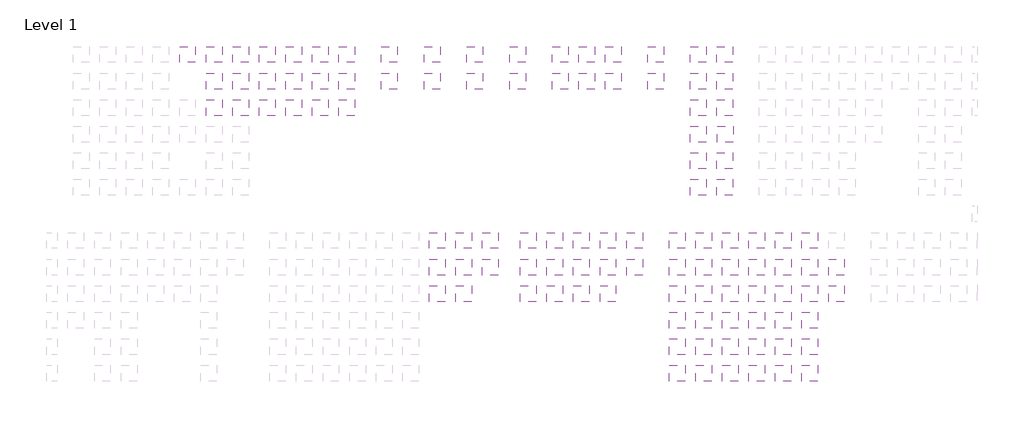
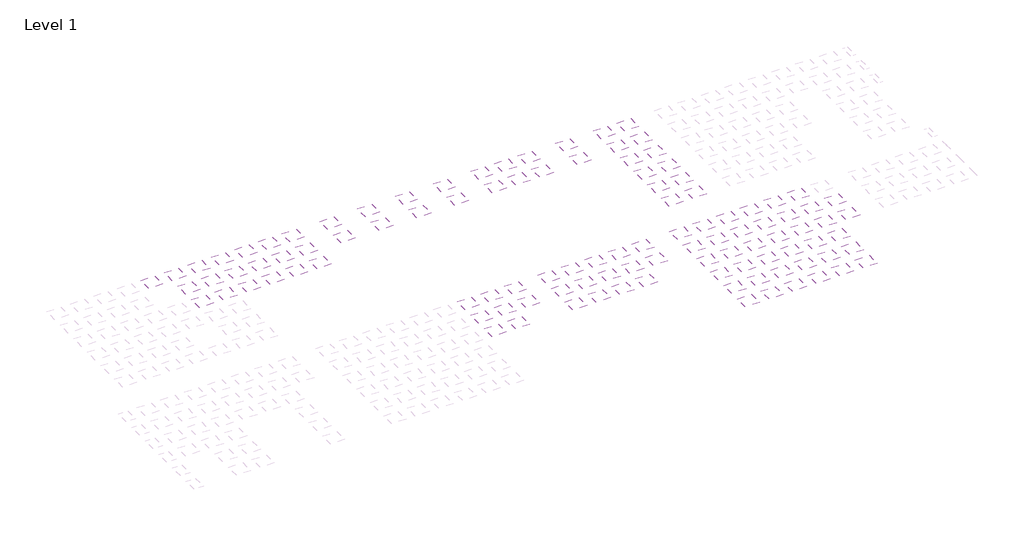
# One storey, part 8 of 90: 107 coverings.
"""IFC4 building model written with IfcOpenShell, lengths in millimetres."""

from ifc_helpers import new_model, si_unit, frame, origin, place, context, project, spatial, polyline, outline, extrude, element, save

model = new_model("IFC4")

# Units and contexts
model_context = context("Model", 3, world=origin())
ifc_project = project(units=[si_unit("LENGTHUNIT", "METRE", prefix="MILLI")], contexts=[model_context])

# Site, building, storey
site = spatial("IfcSite", under=ifc_project)
building = spatial("IfcBuilding", under=site)
storey = spatial("IfcBuildingStorey", under=building, Name="Level 1", Elevation=0.0)

# Coverings
placement = place(None, origin())
element("IfcCovering", 1, at=placement, inside=storey, context=model_context, shape_type="SweptSolid", body=[
    extrude(outline(polyline([(36921.3888175, 62503.2440705), (36921.3888175, 59503.2440705), (33921.3888175, 59503.2440705), (33921.3888175, 62503.2440705), (36921.3888175, 62503.2440705)])), frame((0.0, 0.0, 2600.0), z_axis=(0.0, 0.0, 1.0), x_axis=(1.0, 0.0, 0.0)), (0.0, 0.0, 1.0), 38.0),
])
element("IfcCovering", 2, at=placement, inside=storey, context=model_context, shape_type="SweptSolid", body=[
    extrude(outline(polyline([(36921.3888175, 57503.2440705), (36921.3888175, 54503.2440705), (33921.3888175, 54503.2440705), (33921.3888175, 57503.2440705), (36921.3888175, 57503.2440705)])), frame((0.0, 0.0, 2600.0), z_axis=(0.0, 0.0, 1.0), x_axis=(1.0, 0.0, 0.0)), (0.0, 0.0, 1.0), 38.0),
])
element("IfcCovering", 3, at=placement, inside=storey, context=model_context, shape_type="SweptSolid", body=[
    extrude(outline(polyline([(114041.3888175, 27503.2440705), (114041.3888175, 24503.2440705), (111041.3888175, 24503.2440705), (111041.3888175, 27503.2440705), (114041.3888175, 27503.2440705)])), frame((0.0, 0.0, 2600.0), z_axis=(0.0, 0.0, 1.0), x_axis=(1.0, 0.0, 0.0)), (0.0, 0.0, 1.0), 38.0),
])
element("IfcCovering", 4, at=placement, inside=storey, context=model_context, shape_type="SweptSolid", body=[
    extrude(outline(polyline([(114041.3888175, 17503.2440705), (114041.3888175, 14503.2440705), (111041.3888175, 14503.2440705), (111041.3888175, 17503.2440705), (114041.3888175, 17503.2440705)])), frame((0.0, 0.0, 2600.0), z_axis=(0.0, 0.0, 1.0), x_axis=(1.0, 0.0, 0.0)), (0.0, 0.0, 1.0), 38.0),
])
element("IfcCovering", 5, at=placement, inside=storey, context=model_context, shape_type="SweptSolid", body=[
    extrude(outline(polyline([(114041.3888175, 12503.2440705), (114041.3888175, 9503.2440705), (111041.3888175, 9503.2440705), (111041.3888175, 12503.2440705), (114041.3888175, 12503.2440705)])), frame((0.0, 0.0, 2600.0), z_axis=(0.0, 0.0, 1.0), x_axis=(1.0, 0.0, 0.0)), (0.0, 0.0, 1.0), 38.0),
])
element("IfcCovering", 6, at=placement, inside=storey, context=model_context, shape_type="SweptSolid", body=[
    extrude(outline(polyline([(114041.3888175, 2503.2440705), (114041.3888175, -496.7559295), (111041.3888175, -496.7559295), (111041.3888175, 2503.2440705), (114041.3888175, 2503.2440705)])), frame((0.0, 0.0, 2600.0), z_axis=(0.0, 0.0, 1.0), x_axis=(1.0, 0.0, 0.0)), (0.0, 0.0, 1.0), 38.0),
])
element("IfcCovering", 7, at=placement, inside=storey, context=model_context, shape_type="SweptSolid", body=[
    extrude(outline(polyline([(129041.3888175, 27503.2440705), (129041.3888175, 24503.2440705), (126041.3888175, 24503.2440705), (126041.3888175, 27503.2440705), (129041.3888175, 27503.2440705)])), frame((0.0, 0.0, 2600.0), z_axis=(0.0, 0.0, 1.0), x_axis=(1.0, 0.0, 0.0)), (0.0, 0.0, 1.0), 38.0),
])
element("IfcCovering", 8, at=placement, inside=storey, context=model_context, shape_type="SweptSolid", body=[
    extrude(outline(polyline([(129041.3888175, 17503.2440705), (129041.3888175, 14503.2440705), (126041.3888175, 14503.2440705), (126041.3888175, 17503.2440705), (129041.3888175, 17503.2440705)])), frame((0.0, 0.0, 2600.0), z_axis=(0.0, 0.0, 1.0), x_axis=(1.0, 0.0, 0.0)), (0.0, 0.0, 1.0), 38.0),
])
element("IfcCovering", 9, at=placement, inside=storey, context=model_context, shape_type="SweptSolid", body=[
    extrude(outline(polyline([(129041.3888175, 12503.2440705), (129041.3888175, 9503.2440705), (126041.3888175, 9503.2440705), (126041.3888175, 12503.2440705), (129041.3888175, 12503.2440705)])), frame((0.0, 0.0, 2600.0), z_axis=(0.0, 0.0, 1.0), x_axis=(1.0, 0.0, 0.0)), (0.0, 0.0, 1.0), 38.0),
])
element("IfcCovering", 10, at=placement, inside=storey, context=model_context, shape_type="SweptSolid", body=[
    extrude(outline(polyline([(129041.3888175, 2503.2440705), (129041.3888175, -496.7559295), (126041.3888175, -496.7559295), (126041.3888175, 2503.2440705), (129041.3888175, 2503.2440705)])), frame((0.0, 0.0, 2600.0), z_axis=(0.0, 0.0, 1.0), x_axis=(1.0, 0.0, 0.0)), (0.0, 0.0, 1.0), 38.0),
])
element("IfcCovering", 11, at=placement, inside=storey, context=model_context, shape_type="SweptSolid", body=[
    extrude(outline(polyline([(134041.3888175, 27503.2440705), (134041.3888175, 24503.2440705), (131041.3888175, 24503.2440705), (131041.3888175, 27503.2440705), (134041.3888175, 27503.2440705)])), frame((0.0, 0.0, 2600.0), z_axis=(0.0, 0.0, 1.0), x_axis=(1.0, 0.0, 0.0)), (0.0, 0.0, 1.0), 38.0),
])
element("IfcCovering", 12, at=placement, inside=storey, context=model_context, shape_type="SweptSolid", body=[
    extrude(outline(polyline([(134041.3888175, 17503.2440705), (134041.3888175, 14503.2440705), (131041.3888175, 14503.2440705), (131041.3888175, 17503.2440705), (134041.3888175, 17503.2440705)])), frame((0.0, 0.0, 2600.0), z_axis=(0.0, 0.0, 1.0), x_axis=(1.0, 0.0, 0.0)), (0.0, 0.0, 1.0), 38.0),
])
element("IfcCovering", 13, at=placement, inside=storey, context=model_context, shape_type="SweptSolid", body=[
    extrude(outline(polyline([(134041.3888175, 12503.2440705), (134041.3888175, 9503.2440705), (131041.3888175, 9503.2440705), (131041.3888175, 12503.2440705), (134041.3888175, 12503.2440705)])), frame((0.0, 0.0, 2600.0), z_axis=(0.0, 0.0, 1.0), x_axis=(1.0, 0.0, 0.0)), (0.0, 0.0, 1.0), 38.0),
])
element("IfcCovering", 14, at=placement, inside=storey, context=model_context, shape_type="SweptSolid", body=[
    extrude(outline(polyline([(134041.3888175, 2503.2440705), (134041.3888175, -496.7559295), (131041.3888175, -496.7559295), (131041.3888175, 2503.2440705), (134041.3888175, 2503.2440705)])), frame((0.0, 0.0, 2600.0), z_axis=(0.0, 0.0, 1.0), x_axis=(1.0, 0.0, 0.0)), (0.0, 0.0, 1.0), 38.0),
])
element("IfcCovering", 15, at=placement, inside=storey, context=model_context, shape_type="SweptSolid", body=[
    extrude(outline(polyline([(139041.3888175, 27503.2440705), (139041.3888175, 24503.2440705), (136041.3888175, 24503.2440705), (136041.3888175, 27503.2440705), (139041.3888175, 27503.2440705)])), frame((0.0, 0.0, 2600.0), z_axis=(0.0, 0.0, 1.0), x_axis=(1.0, 0.0, 0.0)), (0.0, 0.0, 1.0), 38.0),
])
element("IfcCovering", 16, at=placement, inside=storey, context=model_context, shape_type="SweptSolid", body=[
    extrude(outline(polyline([(139041.3888175, 17503.2440705), (139041.3888175, 14503.2440705), (136041.3888175, 14503.2440705), (136041.3888175, 17503.2440705), (139041.3888175, 17503.2440705)])), frame((0.0, 0.0, 2600.0), z_axis=(0.0, 0.0, 1.0), x_axis=(1.0, 0.0, 0.0)), (0.0, 0.0, 1.0), 38.0),
])
element("IfcCovering", 17, at=placement, inside=storey, context=model_context, shape_type="SweptSolid", body=[
    extrude(outline(polyline([(139041.3888175, 12503.2440705), (139041.3888175, 9503.2440705), (136041.3888175, 9503.2440705), (136041.3888175, 12503.2440705), (139041.3888175, 12503.2440705)])), frame((0.0, 0.0, 2600.0), z_axis=(0.0, 0.0, 1.0), x_axis=(1.0, 0.0, 0.0)), (0.0, 0.0, 1.0), 38.0),
])
element("IfcCovering", 18, at=placement, inside=storey, context=model_context, shape_type="SweptSolid", body=[
    extrude(outline(polyline([(139041.3888175, 2503.2440705), (139041.3888175, -496.7559295), (136041.3888175, -496.7559295), (136041.3888175, 2503.2440705), (139041.3888175, 2503.2440705)])), frame((0.0, 0.0, 2600.0), z_axis=(0.0, 0.0, 1.0), x_axis=(1.0, 0.0, 0.0)), (0.0, 0.0, 1.0), 38.0),
])
element("IfcCovering", 19, at=placement, inside=storey, context=model_context, shape_type="SweptSolid", body=[
    extrude(outline(polyline([(144041.3888175, 17503.2440705), (144041.3888175, 14503.2440705), (141041.3888175, 14503.2440705), (141041.3888175, 17503.2440705), (144041.3888175, 17503.2440705)])), frame((0.0, 0.0, 2600.0), z_axis=(0.0, 0.0, 1.0), x_axis=(1.0, 0.0, 0.0)), (0.0, 0.0, 1.0), 38.0),
])
element("IfcCovering", 20, at=placement, inside=storey, context=model_context, shape_type="SweptSolid", body=[
    extrude(outline(polyline([(73921.3888175, 27503.2440705), (73921.3888175, 24503.2440705), (70921.3888175, 24503.2440705), (70921.3888175, 27503.2440705), (73921.3888175, 27503.2440705)])), frame((0.0, 0.0, 2600.0), z_axis=(0.0, 0.0, 1.0), x_axis=(1.0, 0.0, 0.0)), (0.0, 0.0, 1.0), 105.0),
])
element("IfcCovering", 21, at=placement, inside=storey, context=model_context, shape_type="SweptSolid", body=[
    extrude(outline(polyline([(73921.3888175, 17503.2440705), (73921.3888175, 14503.2440705), (70921.3888175, 14503.2440705), (70921.3888175, 17503.2440705), (73921.3888175, 17503.2440705)])), frame((0.0, 0.0, 2600.0), z_axis=(0.0, 0.0, 1.0), x_axis=(1.0, 0.0, 0.0)), (0.0, 0.0, 1.0), 105.0),
])
element("IfcCovering", 22, at=placement, inside=storey, context=model_context, shape_type="SweptSolid", body=[
    extrude(outline(polyline([(68921.3888175, 27503.2440705), (68921.3888175, 24503.2440705), (65921.3888175, 24503.2440705), (65921.3888175, 27503.2440705), (68921.3888175, 27503.2440705)])), frame((0.0, 0.0, 2600.0), z_axis=(0.0, 0.0, 1.0), x_axis=(1.0, 0.0, 0.0)), (0.0, 0.0, 1.0), 38.0),
])
element("IfcCovering", 23, at=placement, inside=storey, context=model_context, shape_type="SweptSolid", body=[
    extrude(outline(polyline([(68921.3888175, 17503.2440705), (68921.3888175, 14503.2440705), (65921.3888175, 14503.2440705), (65921.3888175, 17503.2440705), (68921.3888175, 17503.2440705)])), frame((0.0, 0.0, 2600.0), z_axis=(0.0, 0.0, 1.0), x_axis=(1.0, 0.0, 0.0)), (0.0, 0.0, 1.0), 38.0),
])
element("IfcCovering", 24, at=placement, inside=storey, context=model_context, shape_type="SweptSolid", body=[
    extrude(outline(polyline([(36921.3888175, 52503.2440705), (36921.3888175, 49503.2440705), (33921.3888175, 49503.2440705), (33921.3888175, 52503.2440705), (36921.3888175, 52503.2440705)])), frame((0.0, 0.0, 2600.0), z_axis=(0.0, 0.0, 1.0), x_axis=(1.0, 0.0, 0.0)), (0.0, 0.0, 1.0), 38.0),
])
element("IfcCovering", 25, at=placement, inside=storey, context=model_context, shape_type="SweptSolid", body=[
    extrude(outline(polyline([(26921.3888175, 62503.2440705), (26921.3888175, 59503.2440705), (23921.3888175, 59503.2440705), (23921.3888175, 62503.2440705), (26921.3888175, 62503.2440705)])), frame((0.0, 0.0, 2600.0), z_axis=(0.0, 0.0, 1.0), x_axis=(1.0, 0.0, 0.0)), (0.0, 0.0, 1.0), 38.0),
])
element("IfcCovering", 26, at=placement, inside=storey, context=model_context, shape_type="SweptSolid", body=[
    extrude(outline(polyline([(26921.3888175, 57503.2440705), (26921.3888175, 54503.2440705), (23921.3888175, 54503.2440705), (23921.3888175, 57503.2440705), (26921.3888175, 57503.2440705)])), frame((0.0, 0.0, 2600.0), z_axis=(0.0, 0.0, 1.0), x_axis=(1.0, 0.0, 0.0)), (0.0, 0.0, 1.0), 38.0),
])
element("IfcCovering", 27, at=placement, inside=storey, context=model_context, shape_type="SweptSolid", body=[
    extrude(outline(polyline([(26921.3888175, 52503.2440705), (26921.3888175, 49503.2440705), (23921.3888175, 49503.2440705), (23921.3888175, 52503.2440705), (26921.3888175, 52503.2440705)])), frame((0.0, 0.0, 2600.0), z_axis=(0.0, 0.0, 1.0), x_axis=(1.0, 0.0, 0.0)), (0.0, 0.0, 1.0), 38.0),
])
element("IfcCovering", 28, at=placement, inside=storey, context=model_context, shape_type="SweptSolid", body=[
    extrude(outline(polyline([(31921.3888175, 62503.2440705), (31921.3888175, 59503.2440705), (28921.3888175, 59503.2440705), (28921.3888175, 62503.2440705), (31921.3888175, 62503.2440705)])), frame((0.0, 0.0, 2600.0), z_axis=(0.0, 0.0, 1.0), x_axis=(1.0, 0.0, 0.0)), (0.0, 0.0, 1.0), 38.0),
])
element("IfcCovering", 29, at=placement, inside=storey, context=model_context, shape_type="SweptSolid", body=[
    extrude(outline(polyline([(31921.3888175, 57503.2440705), (31921.3888175, 54503.2440705), (28921.3888175, 54503.2440705), (28921.3888175, 57503.2440705), (31921.3888175, 57503.2440705)])), frame((0.0, 0.0, 2600.0), z_axis=(0.0, 0.0, 1.0), x_axis=(1.0, 0.0, 0.0)), (0.0, 0.0, 1.0), 38.0),
])
element("IfcCovering", 30, at=placement, inside=storey, context=model_context, shape_type="SweptSolid", body=[
    extrude(outline(polyline([(31921.3888175, 52503.2440705), (31921.3888175, 49503.2440705), (28921.3888175, 49503.2440705), (28921.3888175, 52503.2440705), (31921.3888175, 52503.2440705)])), frame((0.0, 0.0, 2600.0), z_axis=(0.0, 0.0, 1.0), x_axis=(1.0, 0.0, 0.0)), (0.0, 0.0, 1.0), 38.0),
])
element("IfcCovering", 31, at=placement, inside=storey, context=model_context, shape_type="SweptSolid", body=[
    extrude(outline(polyline([(73921.3888175, 22503.2440705), (73921.3888175, 19503.2440705), (70921.3888175, 19503.2440705), (70921.3888175, 22503.2440705), (73921.3888175, 22503.2440705)])), frame((0.0, 0.0, 2600.0), z_axis=(0.0, 0.0, 1.0), x_axis=(1.0, 0.0, 0.0)), (0.0, 0.0, 1.0), 105.0),
])
element("IfcCovering", 32, at=placement, inside=storey, context=model_context, shape_type="SweptSolid", body=[
    extrude(outline(polyline([(114041.3888175, 22503.2440705), (114041.3888175, 19503.2440705), (111041.3888175, 19503.2440705), (111041.3888175, 22503.2440705), (114041.3888175, 22503.2440705)])), frame((0.0, 0.0, 2600.0), z_axis=(0.0, 0.0, 1.0), x_axis=(1.0, 0.0, 0.0)), (0.0, 0.0, 1.0), 38.0),
])
element("IfcCovering", 33, at=placement, inside=storey, context=model_context, shape_type="SweptSolid", body=[
    extrude(outline(polyline([(129041.3888175, 22503.2440705), (129041.3888175, 19503.2440705), (126041.3888175, 19503.2440705), (126041.3888175, 22503.2440705), (129041.3888175, 22503.2440705)])), frame((0.0, 0.0, 2600.0), z_axis=(0.0, 0.0, 1.0), x_axis=(1.0, 0.0, 0.0)), (0.0, 0.0, 1.0), 38.0),
])
element("IfcCovering", 34, at=placement, inside=storey, context=model_context, shape_type="SweptSolid", body=[
    extrude(outline(polyline([(134041.3888175, 22503.2440705), (134041.3888175, 19503.2440705), (131041.3888175, 19503.2440705), (131041.3888175, 22503.2440705), (134041.3888175, 22503.2440705)])), frame((0.0, 0.0, 2600.0), z_axis=(0.0, 0.0, 1.0), x_axis=(1.0, 0.0, 0.0)), (0.0, 0.0, 1.0), 38.0),
])
element("IfcCovering", 35, at=placement, inside=storey, context=model_context, shape_type="SweptSolid", body=[
    extrude(outline(polyline([(139041.3888175, 22503.2440705), (139041.3888175, 19503.2440705), (136041.3888175, 19503.2440705), (136041.3888175, 22503.2440705), (139041.3888175, 22503.2440705)])), frame((0.0, 0.0, 2600.0), z_axis=(0.0, 0.0, 1.0), x_axis=(1.0, 0.0, 0.0)), (0.0, 0.0, 1.0), 38.0),
])
element("IfcCovering", 36, at=placement, inside=storey, context=model_context, shape_type="SweptSolid", body=[
    extrude(outline(polyline([(144041.3888175, 22503.2440705), (144041.3888175, 19503.2440705), (141041.3888175, 19503.2440705), (141041.3888175, 22503.2440705), (144041.3888175, 22503.2440705)])), frame((0.0, 0.0, 2600.0), z_axis=(0.0, 0.0, 1.0), x_axis=(1.0, 0.0, 0.0)), (0.0, 0.0, 1.0), 38.0),
])
element("IfcCovering", 37, at=placement, inside=storey, context=model_context, shape_type="SweptSolid", body=[
    extrude(outline(polyline([(114041.3888175, 7503.2440705), (114041.3888175, 4503.2440705), (111041.3888175, 4503.2440705), (111041.3888175, 7503.2440705), (114041.3888175, 7503.2440705)])), frame((0.0, 0.0, 2600.0), z_axis=(0.0, 0.0, 1.0), x_axis=(1.0, 0.0, 0.0)), (0.0, 0.0, 1.0), 38.0),
])
element("IfcCovering", 38, at=placement, inside=storey, context=model_context, shape_type="SweptSolid", body=[
    extrude(outline(polyline([(129041.3888175, 7503.2440705), (129041.3888175, 4503.2440705), (126041.3888175, 4503.2440705), (126041.3888175, 7503.2440705), (129041.3888175, 7503.2440705)])), frame((0.0, 0.0, 2600.0), z_axis=(0.0, 0.0, 1.0), x_axis=(1.0, 0.0, 0.0)), (0.0, 0.0, 1.0), 38.0),
])
element("IfcCovering", 39, at=placement, inside=storey, context=model_context, shape_type="SweptSolid", body=[
    extrude(outline(polyline([(134041.3888175, 7503.2440705), (134041.3888175, 4503.2440705), (131041.3888175, 4503.2440705), (131041.3888175, 7503.2440705), (134041.3888175, 7503.2440705)])), frame((0.0, 0.0, 2600.0), z_axis=(0.0, 0.0, 1.0), x_axis=(1.0, 0.0, 0.0)), (0.0, 0.0, 1.0), 38.0),
])
element("IfcCovering", 40, at=placement, inside=storey, context=model_context, shape_type="SweptSolid", body=[
    extrude(outline(polyline([(139041.3888175, 7503.2440705), (139041.3888175, 4503.2440705), (136041.3888175, 4503.2440705), (136041.3888175, 7503.2440705), (139041.3888175, 7503.2440705)])), frame((0.0, 0.0, 2600.0), z_axis=(0.0, 0.0, 1.0), x_axis=(1.0, 0.0, 0.0)), (0.0, 0.0, 1.0), 38.0),
])
element("IfcCovering", 41, at=placement, inside=storey, context=model_context, shape_type="SweptSolid", body=[
    extrude(outline(polyline([(68921.3888175, 22503.2440705), (68921.3888175, 19503.2440705), (65921.3888175, 19503.2440705), (65921.3888175, 22503.2440705), (68921.3888175, 22503.2440705)])), frame((0.0, 0.0, 2600.0), z_axis=(0.0, 0.0, 1.0), x_axis=(1.0, 0.0, 0.0)), (0.0, 0.0, 1.0), 38.0),
])
element("IfcCovering", 42, at=placement, inside=storey, context=model_context, shape_type="SweptSolid", body=[
    extrude(outline(polyline([(124041.3888175, 27503.2440705), (124041.3888175, 24503.2440705), (121041.3888175, 24503.2440705), (121041.3888175, 27503.2440705), (124041.3888175, 27503.2440705)])), frame((0.0, 0.0, 2600.0), z_axis=(0.0, 0.0, 1.0), x_axis=(1.0, 0.0, 0.0)), (0.0, 0.0, 1.0), 38.0),
])
element("IfcCovering", 43, at=placement, inside=storey, context=model_context, shape_type="SweptSolid", body=[
    extrude(outline(polyline([(124041.3888175, 17503.2440705), (124041.3888175, 14503.2440705), (121041.3888175, 14503.2440705), (121041.3888175, 17503.2440705), (124041.3888175, 17503.2440705)])), frame((0.0, 0.0, 2600.0), z_axis=(0.0, 0.0, 1.0), x_axis=(1.0, 0.0, 0.0)), (0.0, 0.0, 1.0), 38.0),
])
element("IfcCovering", 44, at=placement, inside=storey, context=model_context, shape_type="SweptSolid", body=[
    extrude(outline(polyline([(124041.3888175, 12503.2440705), (124041.3888175, 9503.2440705), (121041.3888175, 9503.2440705), (121041.3888175, 12503.2440705), (124041.3888175, 12503.2440705)])), frame((0.0, 0.0, 2600.0), z_axis=(0.0, 0.0, 1.0), x_axis=(1.0, 0.0, 0.0)), (0.0, 0.0, 1.0), 38.0),
])
element("IfcCovering", 45, at=placement, inside=storey, context=model_context, shape_type="SweptSolid", body=[
    extrude(outline(polyline([(124041.3888175, 2503.2440705), (124041.3888175, -496.7559295), (121041.3888175, -496.7559295), (121041.3888175, 2503.2440705), (124041.3888175, 2503.2440705)])), frame((0.0, 0.0, 2600.0), z_axis=(0.0, 0.0, 1.0), x_axis=(1.0, 0.0, 0.0)), (0.0, 0.0, 1.0), 38.0),
])
element("IfcCovering", 46, at=placement, inside=storey, context=model_context, shape_type="SweptSolid", body=[
    extrude(outline(polyline([(124041.3888175, 22503.2440705), (124041.3888175, 19503.2440705), (121041.3888175, 19503.2440705), (121041.3888175, 22503.2440705), (124041.3888175, 22503.2440705)])), frame((0.0, 0.0, 2600.0), z_axis=(0.0, 0.0, 1.0), x_axis=(1.0, 0.0, 0.0)), (0.0, 0.0, 1.0), 38.0),
])
element("IfcCovering", 47, at=placement, inside=storey, context=model_context, shape_type="SweptSolid", body=[
    extrude(outline(polyline([(124041.3888175, 7503.2440705), (124041.3888175, 4503.2440705), (121041.3888175, 4503.2440705), (121041.3888175, 7503.2440705), (124041.3888175, 7503.2440705)])), frame((0.0, 0.0, 2600.0), z_axis=(0.0, 0.0, 1.0), x_axis=(1.0, 0.0, 0.0)), (0.0, 0.0, 1.0), 38.0),
])
element("IfcCovering", 48, at=placement, inside=storey, context=model_context, shape_type="SweptSolid", body=[
    extrude(outline(polyline([(119041.3888175, 27503.2440705), (119041.3888175, 24503.2440705), (116041.3888175, 24503.2440705), (116041.3888175, 27503.2440705), (119041.3888175, 27503.2440705)])), frame((0.0, 0.0, 2600.0), z_axis=(0.0, 0.0, 1.0), x_axis=(1.0, 0.0, 0.0)), (0.0, 0.0, 1.0), 38.0),
])
element("IfcCovering", 49, at=placement, inside=storey, context=model_context, shape_type="SweptSolid", body=[
    extrude(outline(polyline([(119041.3888175, 17503.2440705), (119041.3888175, 14503.2440705), (116041.3888175, 14503.2440705), (116041.3888175, 17503.2440705), (119041.3888175, 17503.2440705)])), frame((0.0, 0.0, 2600.0), z_axis=(0.0, 0.0, 1.0), x_axis=(1.0, 0.0, 0.0)), (0.0, 0.0, 1.0), 38.0),
])
element("IfcCovering", 50, at=placement, inside=storey, context=model_context, shape_type="SweptSolid", body=[
    extrude(outline(polyline([(119041.3888175, 12503.2440705), (119041.3888175, 9503.2440705), (116041.3888175, 9503.2440705), (116041.3888175, 12503.2440705), (119041.3888175, 12503.2440705)])), frame((0.0, 0.0, 2600.0), z_axis=(0.0, 0.0, 1.0), x_axis=(1.0, 0.0, 0.0)), (0.0, 0.0, 1.0), 38.0),
])
element("IfcCovering", 51, at=placement, inside=storey, context=model_context, shape_type="SweptSolid", body=[
    extrude(outline(polyline([(119041.3888175, 2503.2440705), (119041.3888175, -496.7559295), (116041.3888175, -496.7559295), (116041.3888175, 2503.2440705), (119041.3888175, 2503.2440705)])), frame((0.0, 0.0, 2600.0), z_axis=(0.0, 0.0, 1.0), x_axis=(1.0, 0.0, 0.0)), (0.0, 0.0, 1.0), 38.0),
])
element("IfcCovering", 52, at=placement, inside=storey, context=model_context, shape_type="SweptSolid", body=[
    extrude(outline(polyline([(119041.3888175, 22503.2440705), (119041.3888175, 19503.2440705), (116041.3888175, 19503.2440705), (116041.3888175, 22503.2440705), (119041.3888175, 22503.2440705)])), frame((0.0, 0.0, 2600.0), z_axis=(0.0, 0.0, 1.0), x_axis=(1.0, 0.0, 0.0)), (0.0, 0.0, 1.0), 38.0),
])
element("IfcCovering", 53, at=placement, inside=storey, context=model_context, shape_type="SweptSolid", body=[
    extrude(outline(polyline([(119041.3888175, 7503.2440705), (119041.3888175, 4503.2440705), (116041.3888175, 4503.2440705), (116041.3888175, 7503.2440705), (119041.3888175, 7503.2440705)])), frame((0.0, 0.0, 2600.0), z_axis=(0.0, 0.0, 1.0), x_axis=(1.0, 0.0, 0.0)), (0.0, 0.0, 1.0), 38.0),
])
element("IfcCovering", 54, at=placement, inside=storey, context=model_context, shape_type="SweptSolid", body=[
    extrude(outline(polyline([(21921.3888175, 62503.2440705), (21921.3888175, 59503.2440705), (18921.3888175, 59503.2440705), (18921.3888175, 62503.2440705), (21921.3888175, 62503.2440705)])), frame((0.0, 0.0, 2600.0), z_axis=(0.0, 0.0, 1.0), x_axis=(1.0, 0.0, 0.0)), (0.0, 0.0, 1.0), 38.0),
])
element("IfcCovering", 55, at=placement, inside=storey, context=model_context, shape_type="SweptSolid", body=[
    extrude(outline(polyline([(78921.3888175, 27503.2440705), (78921.3888175, 24503.2440705), (75921.3888175, 24503.2440705), (75921.3888175, 27503.2440705), (78921.3888175, 27503.2440705)])), frame((0.0, 0.0, 2600.0), z_axis=(0.0, 0.0, 1.0), x_axis=(1.0, 0.0, 0.0)), (0.0, 0.0, 1.0), 105.0),
])
element("IfcCovering", 56, at=placement, inside=storey, context=model_context, shape_type="SweptSolid", body=[
    extrude(outline(polyline([(78921.3888175, 22503.2440705), (78921.3888175, 19503.2440705), (75921.3888175, 19503.2440705), (75921.3888175, 22503.2440705), (78921.3888175, 22503.2440705)])), frame((0.0, 0.0, 2600.0), z_axis=(0.0, 0.0, 1.0), x_axis=(1.0, 0.0, 0.0)), (0.0, 0.0, 1.0), 105.0),
])
element("IfcCovering", 57, at=placement, inside=storey, context=model_context, shape_type="SweptSolid", body=[
    extrude(outline(polyline([(118041.3888175, 62503.2440705), (118041.3888175, 59503.2440705), (115041.3888175, 59503.2440705), (115041.3888175, 62503.2440705), (118041.3888175, 62503.2440705)])), frame((0.0, 0.0, 2600.0), z_axis=(0.0, 0.0, 1.0), x_axis=(1.0, 0.0, 0.0)), (0.0, 0.0, 1.0), 38.0),
])
element("IfcCovering", 58, at=placement, inside=storey, context=model_context, shape_type="SweptSolid", body=[
    extrude(outline(polyline([(118041.3888175, 52503.2440705), (118041.3888175, 49503.2440705), (115041.3888175, 49503.2440705), (115041.3888175, 52503.2440705), (118041.3888175, 52503.2440705)])), frame((0.0, 0.0, 2600.0), z_axis=(0.0, 0.0, 1.0), x_axis=(1.0, 0.0, 0.0)), (0.0, 0.0, 1.0), 38.0),
])
element("IfcCovering", 59, at=placement, inside=storey, context=model_context, shape_type="SweptSolid", body=[
    extrude(outline(polyline([(118041.3888175, 57503.2440705), (118041.3888175, 54503.2440705), (115041.3888175, 54503.2440705), (115041.3888175, 57503.2440705), (118041.3888175, 57503.2440705)])), frame((0.0, 0.0, 2600.0), z_axis=(0.0, 0.0, 1.0), x_axis=(1.0, 0.0, 0.0)), (0.0, 0.0, 1.0), 38.0),
])
element("IfcCovering", 60, at=placement, inside=storey, context=model_context, shape_type="SweptSolid", body=[
    extrude(outline(polyline([(118041.3888175, 47503.2440705), (118041.3888175, 44503.2440705), (115041.3888175, 44503.2440705), (115041.3888175, 47503.2440705), (118041.3888175, 47503.2440705)])), frame((0.0, 0.0, 2600.0), z_axis=(0.0, 0.0, 1.0), x_axis=(1.0, 0.0, 0.0)), (0.0, 0.0, 1.0), 38.0),
])
element("IfcCovering", 61, at=placement, inside=storey, context=model_context, shape_type="SweptSolid", body=[
    extrude(outline(polyline([(118041.3888175, 37503.2440705), (118041.3888175, 34503.2440705), (115041.3888175, 34503.2440705), (115041.3888175, 37503.2440705), (118041.3888175, 37503.2440705)])), frame((0.0, 0.0, 2600.0), z_axis=(0.0, 0.0, 1.0), x_axis=(1.0, 0.0, 0.0)), (0.0, 0.0, 1.0), 38.0),
])
element("IfcCovering", 62, at=placement, inside=storey, context=model_context, shape_type="SweptSolid", body=[
    extrude(outline(polyline([(123041.3888175, 62503.2440705), (123041.3888175, 59503.2440705), (120041.3888175, 59503.2440705), (120041.3888175, 62503.2440705), (123041.3888175, 62503.2440705)])), frame((0.0, 0.0, 2600.0), z_axis=(0.0, 0.0, 1.0), x_axis=(1.0, 0.0, 0.0)), (0.0, 0.0, 1.0), 38.0),
])
element("IfcCovering", 63, at=placement, inside=storey, context=model_context, shape_type="SweptSolid", body=[
    extrude(outline(polyline([(123041.3888175, 52503.2440705), (123041.3888175, 49503.2440705), (120041.3888175, 49503.2440705), (120041.3888175, 52503.2440705), (123041.3888175, 52503.2440705)])), frame((0.0, 0.0, 2600.0), z_axis=(0.0, 0.0, 1.0), x_axis=(1.0, 0.0, 0.0)), (0.0, 0.0, 1.0), 38.0),
])
element("IfcCovering", 64, at=placement, inside=storey, context=model_context, shape_type="SweptSolid", body=[
    extrude(outline(polyline([(123041.3888175, 57503.2440705), (123041.3888175, 54503.2440705), (120041.3888175, 54503.2440705), (120041.3888175, 57503.2440705), (123041.3888175, 57503.2440705)])), frame((0.0, 0.0, 2600.0), z_axis=(0.0, 0.0, 1.0), x_axis=(1.0, 0.0, 0.0)), (0.0, 0.0, 1.0), 38.0),
])
element("IfcCovering", 65, at=placement, inside=storey, context=model_context, shape_type="SweptSolid", body=[
    extrude(outline(polyline([(123041.3888175, 37503.2440705), (123041.3888175, 34503.2440705), (120041.3888175, 34503.2440705), (120041.3888175, 37503.2440705), (123041.3888175, 37503.2440705)])), frame((0.0, 0.0, 2600.0), z_axis=(0.0, 0.0, 1.0), x_axis=(1.0, 0.0, 0.0)), (0.0, 0.0, 1.0), 38.0),
])
element("IfcCovering", 66, at=placement, inside=storey, context=model_context, shape_type="SweptSolid", body=[
    extrude(outline(polyline([(123041.3888175, 42503.2440705), (123041.3888175, 39503.2440705), (120041.3888175, 39503.2440705), (120041.3888175, 42503.2440705), (123041.3888175, 42503.2440705)])), frame((0.0, 0.0, 2600.0), z_axis=(0.0, 0.0, 1.0), x_axis=(1.0, 0.0, 0.0)), (0.0, 0.0, 1.0), 38.0),
])
element("IfcCovering", 67, at=placement, inside=storey, context=model_context, shape_type="SweptSolid", body=[
    extrude(outline(polyline([(123141.3888175, 47503.2440705), (123141.3888175, 44503.2440705), (120141.3888175, 44503.2440705), (120141.3888175, 47503.2440705), (123141.3888175, 47503.2440705)])), frame((0.0, 0.0, 2600.0), z_axis=(0.0, 0.0, 1.0), x_axis=(1.0, 0.0, 0.0)), (0.0, 0.0, 1.0), 38.0),
])
element("IfcCovering", 68, at=placement, inside=storey, context=model_context, shape_type="SweptSolid", body=[
    extrude(outline(polyline([(92041.3888175, 62503.2440705), (92041.3888175, 59503.2440705), (89041.3888175, 59503.2440705), (89041.3888175, 62503.2440705), (92041.3888175, 62503.2440705)])), frame((0.0, 0.0, 2600.0), z_axis=(0.0, 0.0, 1.0), x_axis=(1.0, 0.0, 0.0)), (0.0, 0.0, 1.0), 38.0),
])
element("IfcCovering", 69, at=placement, inside=storey, context=model_context, shape_type="SweptSolid", body=[
    extrude(outline(polyline([(92041.3888175, 57503.2440705), (92041.3888175, 54503.2440705), (89041.3888175, 54503.2440705), (89041.3888175, 57503.2440705), (92041.3888175, 57503.2440705)])), frame((0.0, 0.0, 2600.0), z_axis=(0.0, 0.0, 1.0), x_axis=(1.0, 0.0, 0.0)), (0.0, 0.0, 1.0), 38.0),
])
element("IfcCovering", 70, at=placement, inside=storey, context=model_context, shape_type="SweptSolid", body=[
    extrude(outline(polyline([(97041.3888175, 62503.2440705), (97041.3888175, 59503.2440705), (94041.3888175, 59503.2440705), (94041.3888175, 62503.2440705), (97041.3888175, 62503.2440705)])), frame((0.0, 0.0, 2600.0), z_axis=(0.0, 0.0, 1.0), x_axis=(1.0, 0.0, 0.0)), (0.0, 0.0, 1.0), 38.0),
])
element("IfcCovering", 71, at=placement, inside=storey, context=model_context, shape_type="SweptSolid", body=[
    extrude(outline(polyline([(97041.3888175, 57503.2440705), (97041.3888175, 54503.2440705), (94041.3888175, 54503.2440705), (94041.3888175, 57503.2440705), (97041.3888175, 57503.2440705)])), frame((0.0, 0.0, 2600.0), z_axis=(0.0, 0.0, 1.0), x_axis=(1.0, 0.0, 0.0)), (0.0, 0.0, 1.0), 38.0),
])
element("IfcCovering", 72, at=placement, inside=storey, context=model_context, shape_type="SweptSolid", body=[
    extrude(outline(polyline([(102041.3888175, 62503.2440705), (102041.3888175, 59503.2440705), (99041.3888175, 59503.2440705), (99041.3888175, 62503.2440705), (102041.3888175, 62503.2440705)])), frame((0.0, 0.0, 2600.0), z_axis=(0.0, 0.0, 1.0), x_axis=(1.0, 0.0, 0.0)), (0.0, 0.0, 1.0), 38.0),
])
element("IfcCovering", 73, at=placement, inside=storey, context=model_context, shape_type="SweptSolid", body=[
    extrude(outline(polyline([(102041.3888175, 57503.2440705), (102041.3888175, 54503.2440705), (99041.3888175, 54503.2440705), (99041.3888175, 57503.2440705), (102041.3888175, 57503.2440705)])), frame((0.0, 0.0, 2600.0), z_axis=(0.0, 0.0, 1.0), x_axis=(1.0, 0.0, 0.0)), (0.0, 0.0, 1.0), 38.0),
])
element("IfcCovering", 74, at=placement, inside=storey, context=model_context, shape_type="SweptSolid", body=[
    extrude(outline(polyline([(110041.3888175, 62503.2440705), (110041.3888175, 59503.2440705), (107041.3888175, 59503.2440705), (107041.3888175, 62503.2440705), (110041.3888175, 62503.2440705)])), frame((0.0, 0.0, 2600.0), z_axis=(0.0, 0.0, 1.0), x_axis=(1.0, 0.0, 0.0)), (0.0, 0.0, 1.0), 38.0),
])
element("IfcCovering", 75, at=placement, inside=storey, context=model_context, shape_type="SweptSolid", body=[
    extrude(outline(polyline([(110041.3888175, 57503.2440705), (110041.3888175, 54503.2440705), (107041.3888175, 54503.2440705), (107041.3888175, 57503.2440705), (110041.3888175, 57503.2440705)])), frame((0.0, 0.0, 2600.0), z_axis=(0.0, 0.0, 1.0), x_axis=(1.0, 0.0, 0.0)), (0.0, 0.0, 1.0), 38.0),
])
element("IfcCovering", 76, at=placement, inside=storey, context=model_context, shape_type="SweptSolid", body=[
    extrude(outline(polyline([(86041.3888175, 27503.2440705), (86041.3888175, 24503.2440705), (83041.3888175, 24503.2440705), (83041.3888175, 27503.2440705), (86041.3888175, 27503.2440705)])), frame((0.0, 0.0, 2600.0), z_axis=(0.0, 0.0, 1.0), x_axis=(1.0, 0.0, 0.0)), (0.0, 0.0, 1.0), 37.0),
])
element("IfcCovering", 77, at=placement, inside=storey, context=model_context, shape_type="SweptSolid", body=[
    extrude(outline(polyline([(86041.3888175, 22503.2440705), (86041.3888175, 19503.2440705), (83041.3888175, 19503.2440705), (83041.3888175, 22503.2440705), (86041.3888175, 22503.2440705)])), frame((0.0, 0.0, 2600.0), z_axis=(0.0, 0.0, 1.0), x_axis=(1.0, 0.0, 0.0)), (0.0, 0.0, 1.0), 37.0),
])
element("IfcCovering", 78, at=placement, inside=storey, context=model_context, shape_type="SweptSolid", body=[
    extrude(outline(polyline([(86041.3888175, 17503.2440705), (86041.3888175, 14503.2440705), (83041.3888175, 14503.2440705), (83041.3888175, 17503.2440705), (86041.3888175, 17503.2440705)])), frame((0.0, 0.0, 2600.0), z_axis=(0.0, 0.0, 1.0), x_axis=(1.0, 0.0, 0.0)), (0.0, 0.0, 1.0), 37.0),
])
element("IfcCovering", 79, at=placement, inside=storey, context=model_context, shape_type="SweptSolid", body=[
    extrude(outline(polyline([(91041.3888175, 27503.2440705), (91041.3888175, 24503.2440705), (88041.3888175, 24503.2440705), (88041.3888175, 27503.2440705), (91041.3888175, 27503.2440705)])), frame((0.0, 0.0, 2600.0), z_axis=(0.0, 0.0, 1.0), x_axis=(1.0, 0.0, 0.0)), (0.0, 0.0, 1.0), 37.0),
])
element("IfcCovering", 80, at=placement, inside=storey, context=model_context, shape_type="SweptSolid", body=[
    extrude(outline(polyline([(91041.3888175, 22503.2440705), (91041.3888175, 19503.2440705), (88041.3888175, 19503.2440705), (88041.3888175, 22503.2440705), (91041.3888175, 22503.2440705)])), frame((0.0, 0.0, 2600.0), z_axis=(0.0, 0.0, 1.0), x_axis=(1.0, 0.0, 0.0)), (0.0, 0.0, 1.0), 37.0),
])
element("IfcCovering", 81, at=placement, inside=storey, context=model_context, shape_type="SweptSolid", body=[
    extrude(outline(polyline([(91041.3888175, 17503.2440705), (91041.3888175, 14503.2440705), (88041.3888175, 14503.2440705), (88041.3888175, 17503.2440705), (91041.3888175, 17503.2440705)])), frame((0.0, 0.0, 2600.0), z_axis=(0.0, 0.0, 1.0), x_axis=(1.0, 0.0, 0.0)), (0.0, 0.0, 1.0), 37.0),
])
element("IfcCovering", 82, at=placement, inside=storey, context=model_context, shape_type="SweptSolid", body=[
    extrude(outline(polyline([(96041.3888175, 27503.2440705), (96041.3888175, 24503.2440705), (93041.3888175, 24503.2440705), (93041.3888175, 27503.2440705), (96041.3888175, 27503.2440705)])), frame((0.0, 0.0, 2600.0), z_axis=(0.0, 0.0, 1.0), x_axis=(1.0, 0.0, 0.0)), (0.0, 0.0, 1.0), 37.0),
])
element("IfcCovering", 83, at=placement, inside=storey, context=model_context, shape_type="SweptSolid", body=[
    extrude(outline(polyline([(96041.3888175, 22503.2440705), (96041.3888175, 19503.2440705), (93041.3888175, 19503.2440705), (93041.3888175, 22503.2440705), (96041.3888175, 22503.2440705)])), frame((0.0, 0.0, 2600.0), z_axis=(0.0, 0.0, 1.0), x_axis=(1.0, 0.0, 0.0)), (0.0, 0.0, 1.0), 37.0),
])
element("IfcCovering", 84, at=placement, inside=storey, context=model_context, shape_type="SweptSolid", body=[
    extrude(outline(polyline([(96041.3888175, 17503.2440705), (96041.3888175, 14503.2440705), (93041.3888175, 14503.2440705), (93041.3888175, 17503.2440705), (96041.3888175, 17503.2440705)])), frame((0.0, 0.0, 2600.0), z_axis=(0.0, 0.0, 1.0), x_axis=(1.0, 0.0, 0.0)), (0.0, 0.0, 1.0), 37.0),
])
element("IfcCovering", 85, at=placement, inside=storey, context=model_context, shape_type="SweptSolid", body=[
    extrude(outline(polyline([(101041.3888175, 27503.2440705), (101041.3888175, 24503.2440705), (98041.3888175, 24503.2440705), (98041.3888175, 27503.2440705), (101041.3888175, 27503.2440705)])), frame((0.0, 0.0, 2600.0), z_axis=(0.0, 0.0, 1.0), x_axis=(1.0, 0.0, 0.0)), (0.0, 0.0, 1.0), 37.0),
])
element("IfcCovering", 86, at=placement, inside=storey, context=model_context, shape_type="SweptSolid", body=[
    extrude(outline(polyline([(101041.3888175, 22503.2440705), (101041.3888175, 19503.2440705), (98041.3888175, 19503.2440705), (98041.3888175, 22503.2440705), (101041.3888175, 22503.2440705)])), frame((0.0, 0.0, 2600.0), z_axis=(0.0, 0.0, 1.0), x_axis=(1.0, 0.0, 0.0)), (0.0, 0.0, 1.0), 37.0),
])
element("IfcCovering", 87, at=placement, inside=storey, context=model_context, shape_type="SweptSolid", body=[
    extrude(outline(polyline([(101041.3888175, 17503.2440705), (101041.3888175, 14503.2440705), (98041.3888175, 14503.2440705), (98041.3888175, 17503.2440705), (101041.3888175, 17503.2440705)])), frame((0.0, 0.0, 2600.0), z_axis=(0.0, 0.0, 1.0), x_axis=(1.0, 0.0, 0.0)), (0.0, 0.0, 1.0), 37.0),
])
element("IfcCovering", 88, at=placement, inside=storey, context=model_context, shape_type="SweptSolid", body=[
    extrude(outline(polyline([(106041.3888175, 27503.2440705), (106041.3888175, 24503.2440705), (103041.3888175, 24503.2440705), (103041.3888175, 27503.2440705), (106041.3888175, 27503.2440705)])), frame((0.0, 0.0, 2600.0), z_axis=(0.0, 0.0, 1.0), x_axis=(1.0, 0.0, 0.0)), (0.0, 0.0, 1.0), 37.0),
])
element("IfcCovering", 89, at=placement, inside=storey, context=model_context, shape_type="SweptSolid", body=[
    extrude(outline(polyline([(106041.3888175, 22503.2440705), (106041.3888175, 19503.2440705), (103041.3888175, 19503.2440705), (103041.3888175, 22503.2440705), (106041.3888175, 22503.2440705)])), frame((0.0, 0.0, 2600.0), z_axis=(0.0, 0.0, 1.0), x_axis=(1.0, 0.0, 0.0)), (0.0, 0.0, 1.0), 37.0),
])
element("IfcCovering", 90, at=placement, inside=storey, context=model_context, shape_type="SweptSolid", body=[
    extrude(outline(polyline([(59921.3888175, 62503.2440705), (59921.3888175, 59503.2440705), (56921.3888175, 59503.2440705), (56921.3888175, 62503.2440705), (59921.3888175, 62503.2440705)])), frame((0.0, 0.0, 2600.0), z_axis=(0.0, 0.0, 1.0), x_axis=(1.0, 0.0, 0.0)), (0.0, 0.0, 1.0), 38.0),
])
element("IfcCovering", 91, at=placement, inside=storey, context=model_context, shape_type="SweptSolid", body=[
    extrude(outline(polyline([(59921.3888175, 57503.2440705), (59921.3888175, 54503.2440705), (56921.3888175, 54503.2440705), (56921.3888175, 57503.2440705), (59921.3888175, 57503.2440705)])), frame((0.0, 0.0, 2600.0), z_axis=(0.0, 0.0, 1.0), x_axis=(1.0, 0.0, 0.0)), (0.0, 0.0, 1.0), 38.0),
])
element("IfcCovering", 92, at=placement, inside=storey, context=model_context, shape_type="SweptSolid", body=[
    extrude(outline(polyline([(118041.3888175, 42503.2440705), (118041.3888175, 39503.2440705), (115041.3888175, 39503.2440705), (115041.3888175, 42503.2440705), (118041.3888175, 42503.2440705)])), frame((0.0, 0.0, 2600.0), z_axis=(0.0, 0.0, 1.0), x_axis=(1.0, 0.0, 0.0)), (0.0, 0.0, 1.0), 38.0),
])
element("IfcCovering", 93, at=placement, inside=storey, context=model_context, shape_type="SweptSolid", body=[
    extrude(outline(polyline([(41921.3888175, 62503.2440705), (41921.3888175, 59503.2440705), (38921.3888175, 59503.2440705), (38921.3888175, 62503.2440705), (41921.3888175, 62503.2440705)])), frame((0.0, 0.0, 2600.0), z_axis=(0.0, 0.0, 1.0), x_axis=(1.0, 0.0, 0.0)), (0.0, 0.0, 1.0), 105.0),
])
element("IfcCovering", 94, at=placement, inside=storey, context=model_context, shape_type="SweptSolid", body=[
    extrude(outline(polyline([(41921.3888175, 52503.2440705), (41921.3888175, 49503.2440705), (38921.3888175, 49503.2440705), (38921.3888175, 52503.2440705), (41921.3888175, 52503.2440705)])), frame((0.0, 0.0, 2600.0), z_axis=(0.0, 0.0, 1.0), x_axis=(1.0, 0.0, 0.0)), (0.0, 0.0, 1.0), 105.0),
])
element("IfcCovering", 95, at=placement, inside=storey, context=model_context, shape_type="SweptSolid", body=[
    extrude(outline(polyline([(41921.3888175, 57503.2440705), (41921.3888175, 54503.2440705), (38921.3888175, 54503.2440705), (38921.3888175, 57503.2440705), (41921.3888175, 57503.2440705)])), frame((0.0, 0.0, 2600.0), z_axis=(0.0, 0.0, 1.0), x_axis=(1.0, 0.0, 0.0)), (0.0, 0.0, 1.0), 105.0),
])
element("IfcCovering", 96, at=placement, inside=storey, context=model_context, shape_type="SweptSolid", body=[
    extrude(outline(polyline([(46921.3888175, 62503.2440705), (46921.3888175, 59503.2440705), (43921.3888175, 59503.2440705), (43921.3888175, 62503.2440705), (46921.3888175, 62503.2440705)])), frame((0.0, 0.0, 2600.0), z_axis=(0.0, 0.0, 1.0), x_axis=(1.0, 0.0, 0.0)), (0.0, 0.0, 1.0), 105.0),
])
element("IfcCovering", 97, at=placement, inside=storey, context=model_context, shape_type="SweptSolid", body=[
    extrude(outline(polyline([(46921.3888175, 52503.2440705), (46921.3888175, 49503.2440705), (43921.3888175, 49503.2440705), (43921.3888175, 52503.2440705), (46921.3888175, 52503.2440705)])), frame((0.0, 0.0, 2600.0), z_axis=(0.0, 0.0, 1.0), x_axis=(1.0, 0.0, 0.0)), (0.0, 0.0, 1.0), 105.0),
])
element("IfcCovering", 98, at=placement, inside=storey, context=model_context, shape_type="SweptSolid", body=[
    extrude(outline(polyline([(46921.3888175, 57503.2440705), (46921.3888175, 54503.2440705), (43921.3888175, 54503.2440705), (43921.3888175, 57503.2440705), (46921.3888175, 57503.2440705)])), frame((0.0, 0.0, 2600.0), z_axis=(0.0, 0.0, 1.0), x_axis=(1.0, 0.0, 0.0)), (0.0, 0.0, 1.0), 105.0),
])
element("IfcCovering", 99, at=placement, inside=storey, context=model_context, shape_type="SweptSolid", body=[
    extrude(outline(polyline([(51921.3888175, 62503.2440705), (51921.3888175, 59503.2440705), (48921.3888175, 59503.2440705), (48921.3888175, 62503.2440705), (51921.3888175, 62503.2440705)])), frame((0.0, 0.0, 2600.0), z_axis=(0.0, 0.0, 1.0), x_axis=(1.0, 0.0, 0.0)), (0.0, 0.0, 1.0), 48.0),
])
element("IfcCovering", 100, at=placement, inside=storey, context=model_context, shape_type="SweptSolid", body=[
    extrude(outline(polyline([(51921.3888175, 52503.2440705), (51921.3888175, 49503.2440705), (48921.3888175, 49503.2440705), (48921.3888175, 52503.2440705), (51921.3888175, 52503.2440705)])), frame((0.0, 0.0, 2600.0), z_axis=(0.0, 0.0, 1.0), x_axis=(1.0, 0.0, 0.0)), (0.0, 0.0, 1.0), 48.0),
])
element("IfcCovering", 101, at=placement, inside=storey, context=model_context, shape_type="SweptSolid", body=[
    extrude(outline(polyline([(51921.3888175, 57503.2440705), (51921.3888175, 54503.2440705), (48921.3888175, 54503.2440705), (48921.3888175, 57503.2440705), (51921.3888175, 57503.2440705)])), frame((0.0, 0.0, 2600.0), z_axis=(0.0, 0.0, 1.0), x_axis=(1.0, 0.0, 0.0)), (0.0, 0.0, 1.0), 48.0),
])
element("IfcCovering", 102, ObjectType="OWA Clean Silver 64/14 S3 600x600_15", at=placement, inside=storey, context=model_context, shape_type="SweptSolid", body=[
    extrude(outline(polyline([(67961.3888175, 62503.2440705), (67961.3888175, 59503.2440705), (64961.3888175, 59503.2440705), (64961.3888175, 62503.2440705), (67961.3888175, 62503.2440705)])), frame((0.0, 0.0, 2600.0), z_axis=(0.0, 0.0, 1.0), x_axis=(1.0, 0.0, 0.0)), (0.0, 0.0, 1.0), 38.0),
])
element("IfcCovering", 103, ObjectType="OWA Clean Silver 64/14 S3 625x625_15", at=placement, inside=storey, context=model_context, shape_type="SweptSolid", body=[
    extrude(outline(polyline([(67961.3888175, 57503.2440705), (67961.3888175, 54503.2440705), (64961.3888175, 54503.2440705), (64961.3888175, 57503.2440705), (67961.3888175, 57503.2440705)])), frame((0.0, 0.0, 2600.0), z_axis=(0.0, 0.0, 1.0), x_axis=(1.0, 0.0, 0.0)), (0.0, 0.0, 1.0), 38.0),
])
element("IfcCovering", 104, ObjectType="OWA Clean Universal 65/1 S3 600x600_15", at=placement, inside=storey, context=model_context, shape_type="SweptSolid", body=[
    extrude(outline(polyline([(76001.3888175, 62503.2440705), (76001.3888175, 59503.2440705), (73001.3888175, 59503.2440705), (73001.3888175, 62503.2440705), (76001.3888175, 62503.2440705)])), frame((0.0, 0.0, 2600.0), z_axis=(0.0, 0.0, 1.0), x_axis=(1.0, 0.0, 0.0)), (0.0, 0.0, 1.0), 38.0),
])
element("IfcCovering", 105, ObjectType="OWA Clean Universal 65/1 S3 625x625_15", at=placement, inside=storey, context=model_context, shape_type="SweptSolid", body=[
    extrude(outline(polyline([(76001.3888175, 57503.2440705), (76001.3888175, 54503.2440705), (73001.3888175, 54503.2440705), (73001.3888175, 57503.2440705), (76001.3888175, 57503.2440705)])), frame((0.0, 0.0, 2600.0), z_axis=(0.0, 0.0, 1.0), x_axis=(1.0, 0.0, 0.0)), (0.0, 0.0, 1.0), 38.0),
])
element("IfcCovering", 106, ObjectType="OWA Clean White 64/18 S3 600x600_15", at=placement, inside=storey, context=model_context, shape_type="SweptSolid", body=[
    extrude(outline(polyline([(84041.3888175, 62503.2440705), (84041.3888175, 59503.2440705), (81041.3888175, 59503.2440705), (81041.3888175, 62503.2440705), (84041.3888175, 62503.2440705)])), frame((0.0, 0.0, 2600.0), z_axis=(0.0, 0.0, 1.0), x_axis=(1.0, 0.0, 0.0)), (0.0, 0.0, 1.0), 38.0),
])
element("IfcCovering", 107, ObjectType="OWA Clean White 64/18 S3 625x625_15", at=placement, inside=storey, context=model_context, shape_type="SweptSolid", body=[
    extrude(outline(polyline([(84041.3888175, 57503.2440705), (84041.3888175, 54503.2440705), (81041.3888175, 54503.2440705), (81041.3888175, 57503.2440705), (84041.3888175, 57503.2440705)])), frame((0.0, 0.0, 2600.0), z_axis=(0.0, 0.0, 1.0), x_axis=(1.0, 0.0, 0.0)), (0.0, 0.0, 1.0), 38.0),
])

save(model, "model.ifc")
